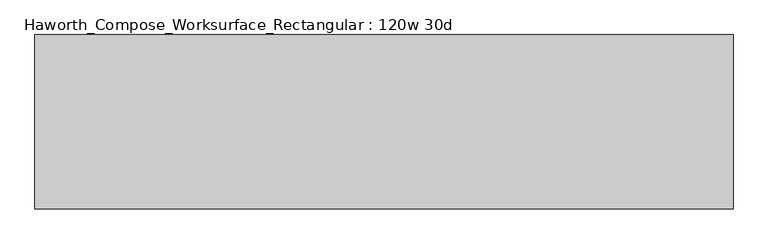
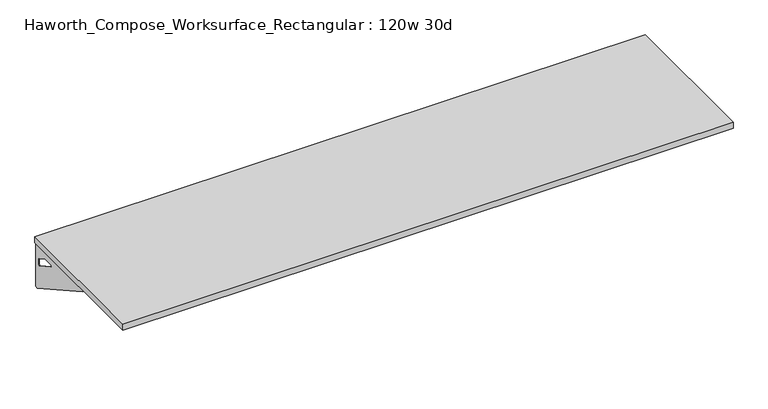
"""IFC4 building model written with IfcOpenShell, lengths in millimetres: furniture geometry, Haworth_Compose_Worksurface_Rectangular : 120w 30d."""

from ifc_helpers import new_model, si_unit, frame, origin, place, context, project, spatial, polyline, circle_curve, outline, extrude, source, transform, mapped, element, save
from ifc_brep_helpers import plane_surface, revolved_surface, advanced_brep


def haworth_compose_worksurface_rectangular_120w_30d_001ba33f(model_context):
    return source(origin(), model_context, "Body", "SolidModel", [
        advanced_brep(
        [(1518.44375, 381.0, 475.45625), (1518.44375, 365.125, 475.45625), (1518.44375, -25.4, 691.7192568), (1518.44375, -25.4, 704.05625), (1518.44375, 365.125, 704.05625), (1518.44375, 381.0, 704.05625), (1518.44375, 297.690072, 665.95625), (1518.44375, 254.0355284, 665.95625), (1518.44375, 251.3564235, 656.3705539), (1518.44375, 343.0776173, 605.5776439), (1518.44375, 352.425, 611.1756969), (1518.44375, 352.425, 634.6860246), (1518.44375, 350.6730055, 637.5242776), (1518.44375, 300.7663437, 665.1613425), (1520.825, 381.0, 475.45625), (1520.825, 381.0, 704.05625), (1520.825, 365.125, 704.05625), (1520.825, 365.125, 706.4375), (1520.825, -25.4, 706.4375), (1520.825, -25.4, 691.7192568), (1520.825, 365.125, 475.45625), (1520.825, 297.690072, 665.95625), (1520.825, 300.7663437, 665.1613425), (1520.825, 350.6730055, 637.5242776), (1520.825, 352.425, 634.6860246), (1520.825, 352.425, 611.1756969), (1520.825, 343.0776173, 605.5776439), (1520.825, 251.3564235, 656.3705539), (1520.825, 254.0355284, 665.95625), (1479.55, -25.4, 706.4375), (1479.55, -25.4, 704.05625), (1479.55, 365.125, 704.05625), (1479.55, 365.125, 706.4375)],
        [
            (0, 1),
            (1, 2),
            (2, 3),
            (3, 4),
            (4, 5),
            (5, 0),
            (6, 7),
            (7, 8, circle_curve(frame((1518.44375, 254.0355284, 660.7890106), z_axis=(1.0, 0.0, 0.0), x_axis=(0.0, -1.0, 0.0)), 5.1672394)),
            (8, 9),
            (9, 10, circle_curve(frame((1518.44375, 346.075, 611.1756969), z_axis=(1.0, 0.0, 0.0), x_axis=(0.0, -1.0, 0.0)), 6.35)),
            (10, 11),
            (11, 12, circle_curve(frame((1518.44375, 349.25, 634.6860246), z_axis=(1.0, 0.0, 0.0), x_axis=(0.0, -1.0, 0.0)), 3.175)),
            (12, 13),
            (13, 6, circle_curve(frame((1518.44375, 297.690072, 659.60625), z_axis=(1.0, 0.0, 0.0), x_axis=(0.0, -1.0, 0.0)), 6.35)),
            (14, 15),
            (15, 16),
            (16, 17),
            (17, 18),
            (18, 19),
            (19, 20),
            (20, 14),
            (21, 22, circle_curve(frame((1520.825, 297.690072, 659.60625), z_axis=(-1.0, 0.0, 0.0), x_axis=(0.0, -1.0, 0.0)), 6.35)),
            (22, 23),
            (23, 24, circle_curve(frame((1520.825, 349.25, 634.6860246), z_axis=(-1.0, 0.0, 0.0), x_axis=(0.0, -1.0, 0.0)), 3.175)),
            (24, 25),
            (25, 26, circle_curve(frame((1520.825, 346.075, 611.1756969), z_axis=(-1.0, 0.0, 0.0), x_axis=(0.0, -1.0, 0.0)), 6.35)),
            (26, 27),
            (27, 28, circle_curve(frame((1520.825, 254.0355284, 660.7890106), z_axis=(-1.0, 0.0, 0.0), x_axis=(0.0, -1.0, 0.0)), 5.1672394)),
            (28, 21),
            (4, 16),
            (15, 5),
            (14, 0),
            (20, 1),
            (19, 2),
            (18, 29),
            (29, 30),
            (30, 3),
            (6, 21),
            (28, 7),
            (9, 26),
            (25, 10),
            (24, 11),
            (23, 12),
            (27, 8),
            (31, 4),
            (30, 31),
            (32, 29),
            (17, 32),
            (31, 32),
            (22, 13),
        ],
        [
            plane_surface(frame((1518.44375, 381.0, 475.45625), z_axis=(-1.0, 0.0, 0.0), x_axis=(0.0, 1.0, 0.0))),
            plane_surface(frame((1520.825, 381.0, 475.45625), z_axis=(1.0, 0.0, 0.0), x_axis=(0.0, -1.0, 0.0))),
            plane_surface(frame((1520.825, -25.4, 704.05625), z_axis=(0.0, 0.0, 1.0), x_axis=(-1.0, 0.0, 0.0))),
            plane_surface(frame((1520.825, 381.0, 704.05625), z_axis=(0.0, 1.0, 0.0), x_axis=(-1.0, 0.0, 0.0))),
            plane_surface(frame((1520.825, 381.0, 475.45625), z_axis=(0.0, 0.0, -1.0), x_axis=(-1.0, 0.0, 0.0))),
            plane_surface(frame((1520.825, 365.125, 475.45625), z_axis=(0.0, -0.48445223513455843, -0.8748177135112952), x_axis=(-1.0, 0.0, 0.0))),
            plane_surface(frame((1520.825, -25.4, 691.7192568), z_axis=(0.0, -1.0, 0.0), x_axis=(-1.0, 0.0, 0.0))),
            plane_surface(frame((1520.825, 297.690072, 665.95625), z_axis=(0.0, 0.0, -1.0), x_axis=(-1.0, 0.0, 0.0))),
            revolved_surface(polyline([(1518.44375, 339.72499999999997, 611.1756969), (1520.825, 339.72499999999997, 611.1756969)]), (1520.825, 346.075, 611.1756969), (-1.0, 0.0, 0.0)),
            plane_surface(frame((1520.825, 352.425, 611.1756969), z_axis=(0.0, -1.0, 0.0), x_axis=(-1.0, 0.0, 0.0))),
            revolved_surface(polyline([(1518.44375, 346.075, 634.6860246), (1520.825, 346.075, 634.6860246)]), (1520.825, 349.25, 634.6860246), (-1.0, 0.0, 0.0)),
            revolved_surface(polyline([(1518.44375, 248.868289, 660.7890106), (1520.825, 248.868289, 660.7890106)]), (1520.825, 254.0355284, 660.7890106), (-1.0, 0.0, 0.0)),
            plane_surface(frame((1520.825, 365.125, 704.05625), z_axis=(0.0, 0.0, -1.0), x_axis=(-1.0, 0.0, 0.0))),
            plane_surface(frame((1520.825, 365.125, 706.4375), z_axis=(0.0, 0.0, 1.0), x_axis=(1.0, 0.0, 0.0))),
            plane_surface(frame((1479.55, 365.125, 706.4375), z_axis=(0.0, 1.0, 0.0), x_axis=(0.0, 0.0, -1.0))),
            plane_surface(frame((1479.55, -25.4, 706.4375), z_axis=(-1.0, 0.0, 0.0), x_axis=(0.0, 0.0, -1.0))),
            plane_surface(frame((1520.825, 251.3564235, 656.3705539), z_axis=(0.0, 0.4844522351345583, 0.8748177135112953), x_axis=(-1.0, 0.0, 0.0))),
            plane_surface(frame((1520.825, 350.6730055, 637.5242776), z_axis=(0.0, -0.4844522351345582, -0.8748177135112953), x_axis=(-1.0, 0.0, 0.0))),
            revolved_surface(polyline([(1518.44375, 291.34007199999996, 659.60625), (1520.825, 291.34007199999996, 659.60625)]), (1520.825, 297.690072, 659.60625), (-1.0, 0.0, 0.0)),
        ],
        [
            (0, [[1, 2, 3, 4, 5, 6], [7, 8, 9, 10, 11, 12, 13, 14]]),
            (1, [[15, 16, 17, 18, 19, 20, 21], [22, 23, 24, 25, 26, 27, 28, 29]]),
            (2, [[-5, 30, -16, 31]]),
            (3, [[-31, -15, 32, -6]]),
            (4, [[-32, -21, 33, -1]]),
            (5, [[-33, -20, 34, -2]]),
            (6, [[-34, -19, 35, 36, 37, -3]]),
            (7, [[38, -29, 39, -7]]),
            (8, [[40, -26, 41, -10]]),
            (9, [[-41, -25, 42, -11]]),
            (10, [[-42, -24, 43, -12]]),
            (11, [[-39, -28, 44, -8]]),
            (12, [[45, -4, -37, 46]]),
            (13, [[47, -35, -18, 48]]),
            (14, [[-17, -30, -45, 49, -48]]),
            (15, [[-36, -47, -49, -46]]),
            (16, [[-44, -27, -40, -9]]),
            (17, [[-43, -23, 50, -13]]),
            (18, [[-50, -22, -38, -14]]),
        ],
    ),
        advanced_brep(
        [(-1518.44375, 381.0, 475.45625), (-1518.44375, 381.0, 704.05625), (-1518.44375, 365.125, 704.05625), (-1518.44375, -25.4, 704.05625), (-1518.44375, -25.4, 691.7192568), (-1518.44375, 365.125, 475.45625), (-1518.44375, 297.690072, 665.95625), (-1518.44375, 300.7663437, 665.1613425), (-1518.44375, 350.6730055, 637.5242776), (-1518.44375, 352.425, 634.6860246), (-1518.44375, 352.425, 611.1756969), (-1518.44375, 343.0776173, 605.5776439), (-1518.44375, 251.3564235, 656.3705539), (-1518.44375, 254.0355284, 665.95625), (-1520.825, 381.0, 475.45625), (-1520.825, 365.125, 475.45625), (-1520.825, -25.4, 691.7192568), (-1520.825, -25.4, 706.4375), (-1520.825, 365.125, 706.4375), (-1520.825, 365.125, 704.05625), (-1520.825, 381.0, 704.05625), (-1520.825, 297.690072, 665.95625), (-1520.825, 254.0355284, 665.95625), (-1520.825, 251.3564235, 656.3705539), (-1520.825, 343.0776173, 605.5776439), (-1520.825, 352.425, 611.1756969), (-1520.825, 352.425, 634.6860246), (-1520.825, 350.6730055, 637.5242776), (-1520.825, 300.7663437, 665.1613425), (-1479.55, -25.4, 704.05625), (-1479.55, -25.4, 706.4375), (-1479.55, 365.125, 704.05625), (-1479.55, 365.125, 706.4375)],
        [
            (0, 1),
            (1, 2),
            (2, 3),
            (3, 4),
            (4, 5),
            (5, 0),
            (6, 7, circle_curve(frame((-1518.44375, 297.690072, 659.60625), z_axis=(-1.0, 0.0, 0.0), x_axis=(0.0, -1.0, 0.0)), 6.35)),
            (7, 8),
            (8, 9, circle_curve(frame((-1518.44375, 349.25, 634.6860246), z_axis=(-1.0, 0.0, 0.0), x_axis=(0.0, -1.0, 0.0)), 3.175)),
            (9, 10),
            (10, 11, circle_curve(frame((-1518.44375, 346.075, 611.1756969), z_axis=(-1.0, 0.0, 0.0), x_axis=(0.0, -1.0, 0.0)), 6.35)),
            (11, 12),
            (12, 13, circle_curve(frame((-1518.44375, 254.0355284, 660.7890106), z_axis=(-1.0, 0.0, 0.0), x_axis=(0.0, -1.0, 0.0)), 5.1672394)),
            (13, 6),
            (14, 15),
            (15, 16),
            (16, 17),
            (17, 18),
            (18, 19),
            (19, 20),
            (20, 14),
            (21, 22),
            (22, 23, circle_curve(frame((-1520.825, 254.0355284, 660.7890106), z_axis=(1.0, 0.0, 0.0), x_axis=(0.0, -1.0, 0.0)), 5.1672394)),
            (23, 24),
            (24, 25, circle_curve(frame((-1520.825, 346.075, 611.1756969), z_axis=(1.0, 0.0, 0.0), x_axis=(0.0, -1.0, 0.0)), 6.35)),
            (25, 26),
            (26, 27, circle_curve(frame((-1520.825, 349.25, 634.6860246), z_axis=(1.0, 0.0, 0.0), x_axis=(0.0, -1.0, 0.0)), 3.175)),
            (27, 28),
            (28, 21, circle_curve(frame((-1520.825, 297.690072, 659.60625), z_axis=(1.0, 0.0, 0.0), x_axis=(0.0, -1.0, 0.0)), 6.35)),
            (1, 20),
            (19, 2),
            (0, 14),
            (5, 15),
            (4, 16),
            (3, 29),
            (29, 30),
            (30, 17),
            (13, 22),
            (21, 6),
            (10, 25),
            (24, 11),
            (9, 26),
            (8, 27),
            (12, 23),
            (31, 29),
            (2, 31),
            (32, 18),
            (30, 32),
            (32, 31),
            (7, 28),
        ],
        [
            plane_surface(frame((-1518.44375, 381.0, 475.45625), z_axis=(1.0, 0.0, 0.0), x_axis=(0.0, 1.0, 0.0))),
            plane_surface(frame((-1520.825, 381.0, 475.45625), z_axis=(-1.0, 0.0, 0.0), x_axis=(0.0, -1.0, 0.0))),
            plane_surface(frame((-1520.825, -25.4, 704.05625), z_axis=(0.0, 0.0, 1.0), x_axis=(1.0, 0.0, 0.0))),
            plane_surface(frame((-1520.825, 381.0, 704.05625), z_axis=(0.0, 1.0, 0.0), x_axis=(1.0, 0.0, 0.0))),
            plane_surface(frame((-1520.825, 381.0, 475.45625), z_axis=(0.0, 0.0, -1.0), x_axis=(1.0, 0.0, 0.0))),
            plane_surface(frame((-1520.825, 365.125, 475.45625), z_axis=(0.0, -0.48445223513455843, -0.8748177135112952), x_axis=(1.0, 0.0, 0.0))),
            plane_surface(frame((-1520.825, -25.4, 691.7192568), z_axis=(0.0, -1.0, 0.0), x_axis=(1.0, 0.0, 0.0))),
            plane_surface(frame((-1520.825, 297.690072, 665.95625), z_axis=(0.0, 0.0, -1.0), x_axis=(1.0, 0.0, 0.0))),
            revolved_surface(polyline([(-1518.44375, 339.72499999999997, 611.1756969), (-1520.825, 339.72499999999997, 611.1756969)]), (-1520.825, 346.075, 611.1756969), (1.0, 0.0, 0.0)),
            plane_surface(frame((-1520.825, 352.425, 611.1756969), z_axis=(0.0, -1.0, 0.0), x_axis=(1.0, 0.0, 0.0))),
            revolved_surface(polyline([(-1518.44375, 346.075, 634.6860246), (-1520.825, 346.075, 634.6860246)]), (-1520.825, 349.25, 634.6860246), (1.0, 0.0, 0.0)),
            revolved_surface(polyline([(-1518.44375, 248.868289, 660.7890106), (-1520.825, 248.868289, 660.7890106)]), (-1520.825, 254.0355284, 660.7890106), (1.0, 0.0, 0.0)),
            plane_surface(frame((-1520.825, 365.125, 704.05625), z_axis=(0.0, 0.0, -1.0), x_axis=(1.0, 0.0, 0.0))),
            plane_surface(frame((-1520.825, 365.125, 706.4375), z_axis=(0.0, 0.0, 1.0), x_axis=(-1.0, 0.0, 0.0))),
            plane_surface(frame((-1479.55, 365.125, 706.4375), z_axis=(0.0, 1.0, 0.0), x_axis=(0.0, 0.0, -1.0))),
            plane_surface(frame((-1479.55, -25.4, 706.4375), z_axis=(1.0, 0.0, 0.0), x_axis=(0.0, 0.0, -1.0))),
            plane_surface(frame((-1520.825, 251.3564235, 656.3705539), z_axis=(0.0, 0.4844522351345583, 0.8748177135112953), x_axis=(1.0, 0.0, 0.0))),
            plane_surface(frame((-1520.825, 350.6730055, 637.5242776), z_axis=(0.0, -0.4844522351345582, -0.8748177135112953), x_axis=(1.0, 0.0, 0.0))),
            revolved_surface(polyline([(-1518.44375, 291.34007199999996, 659.60625), (-1520.825, 291.34007199999996, 659.60625)]), (-1520.825, 297.690072, 659.60625), (1.0, 0.0, 0.0)),
        ],
        [
            (0, [[1, 2, 3, 4, 5, 6], [7, 8, 9, 10, 11, 12, 13, 14]]),
            (1, [[15, 16, 17, 18, 19, 20, 21], [22, 23, 24, 25, 26, 27, 28, 29]]),
            (2, [[30, -20, 31, -2]]),
            (3, [[-1, 32, -21, -30]]),
            (4, [[-6, 33, -15, -32]]),
            (5, [[-5, 34, -16, -33]]),
            (6, [[-4, 35, 36, 37, -17, -34]]),
            (7, [[-14, 38, -22, 39]]),
            (8, [[-11, 40, -25, 41]]),
            (9, [[-10, 42, -26, -40]]),
            (10, [[-9, 43, -27, -42]]),
            (11, [[-13, 44, -23, -38]]),
            (12, [[45, -35, -3, 46]]),
            (13, [[47, -18, -37, 48]]),
            (14, [[-47, 49, -46, -31, -19]]),
            (15, [[-45, -49, -48, -36]]),
            (16, [[-12, -41, -24, -44]]),
            (17, [[-8, 50, -28, -43]]),
            (18, [[-7, -39, -29, -50]]),
        ],
    ),
        extrude(outline(polyline([(1524.0, 381.0), (1524.0, -381.0), (-1524.0, -381.0), (-1524.0, 381.0), (1524.0, 381.0)])), frame((0.0, 0.0, 706.4375), z_axis=(0.0, 0.0, 1.0), x_axis=(1.0, 0.0, 0.0)), (0.0, 0.0, 1.0), 30.1625),
    ])


if __name__ == "__main__":
    model = new_model("IFC4")
    model_context = context("Model", 3, world=origin())
    ifc_project = project(units=[si_unit("LENGTHUNIT", "METRE", prefix="MILLI")], contexts=[model_context])
    site = spatial("IfcSite", under=ifc_project)
    building = spatial("IfcBuilding", under=site)
    placement = place(None, origin())
    haworth_compose_worksurface_rectangular_120w_30d_shape = haworth_compose_worksurface_rectangular_120w_30d_001ba33f(model_context)
    element("IfcFurniture", 1, ObjectType="Haworth_Compose_Worksurface_Rectangular : 120w 30d", at=placement, inside=building, context=model_context, shape_type="MappedRepresentation", body=[
        mapped(haworth_compose_worksurface_rectangular_120w_30d_shape, transform((0.0, 0.0, 0.0), x_axis=(1.0, 0.0, 0.0), y_axis=(0.0, 1.0, 0.0), z_axis=(0.0, 0.0, 1.0))),
    ])
    save(model, "model.ifc")
